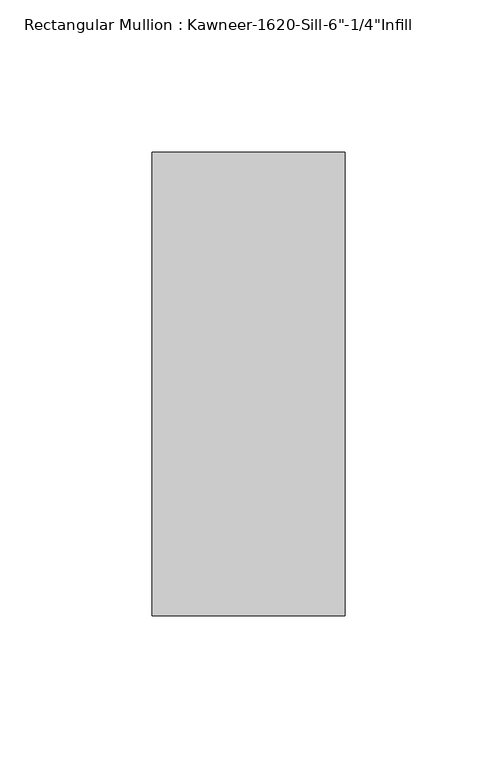
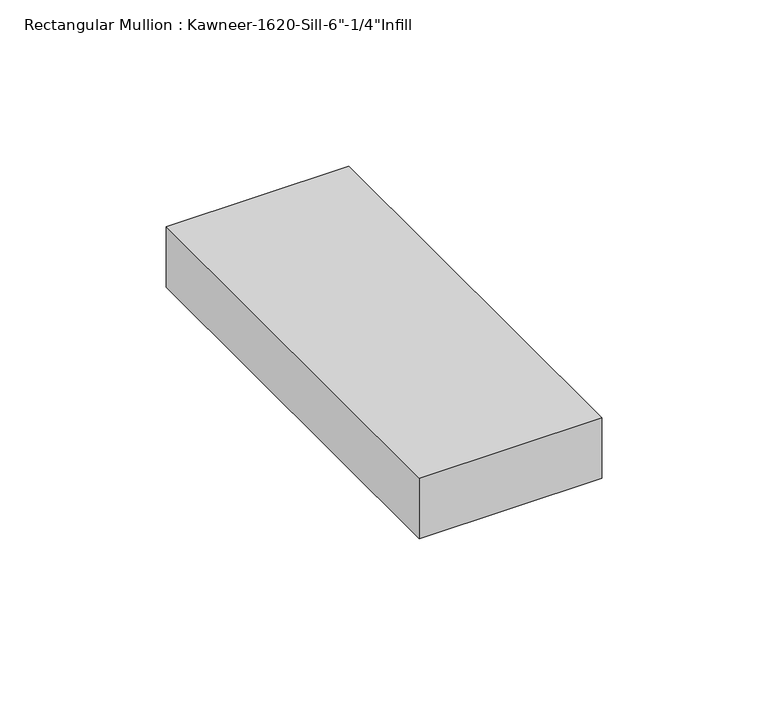
"""IFC4 building model written with IfcOpenShell, lengths in millimetres: member geometry."""

import ifcopenshell
import ifcopenshell.guid

model = None  # the IFC model being written
_history = None  # IfcOwnerHistory: only IFC2X3 demands one
_inside = {}  # id of a spatial element -> (the spatial element, [elements in it])
_under = {}  # id of a project, library or spatial element -> (it, [spatial elements below it])
_declared = {}  # id of a project -> (the project, [libraries it declares])
_typed = {}  # id of a type object -> (the type object, [elements of that type])
_made_of = {}  # id of a material, layer set ... -> (it, [elements and type objects made of it])


def new_model(schema):
    """Start an empty IFC model of exactly this schema.

    Asked for "IFC4X3", IfcOpenShell would pick the latest addendum, in which some entities
    have other attributes; the version numbers below select the first issue.
    IFC2X3 requires an IfcOwnerHistory on every rooted entity: one is made here for all.
    """
    global model, _history
    if schema == "IFC4X3":
        model = ifcopenshell.file(schema_version=(4, 3, 0, 0))
    else:
        model = ifcopenshell.file(schema=schema)
    _inside.clear()
    _under.clear()
    _declared.clear()
    _typed.clear()
    _made_of.clear()
    _history = None
    if model.schema == "IFC2X3":
        org = make("IfcOrganization", Name="unknown")
        user = make(
            "IfcPersonAndOrganization",
            ThePerson=make("IfcPerson", FamilyName="unknown"),
            TheOrganization=org,
        )
        app = make(
            "IfcApplication",
            ApplicationDeveloper=org,
            Version="unknown",
            ApplicationFullName="unknown",
            ApplicationIdentifier="unknown",
        )
        _history = make(
            "IfcOwnerHistory",
            OwningUser=user,
            OwningApplication=app,
            ChangeAction="ADDED",
            CreationDate=0,
        )
    return model


def make(cls, **values):
    """One entity of the class cls with the attributes given. An attribute that is None is left unset."""
    return model.create_entity(
        cls, **{name: value for name, value in values.items() if value is not None}
    )


def rooted(cls, **values):
    """An entity with a GlobalId (a new one), such as an element, a storey or a relation."""
    return make(cls, GlobalId=ifcopenshell.guid.new(), OwnerHistory=_history, **values)


def si_unit(unit_type, name, prefix=None):
    """IfcSIUnit, for example si_unit("LENGTHUNIT", "METRE", prefix="MILLI")."""
    return make("IfcSIUnit", UnitType=unit_type, Prefix=prefix, Name=name)


def assignment(units):
    """IfcUnitAssignment: the units of a project."""
    return None if units is None else make("IfcUnitAssignment", Units=units)


def point(xyz):
    """IfcCartesianPoint."""
    return None if xyz is None else make("IfcCartesianPoint", Coordinates=xyz)


def direction(xyz):
    """IfcDirection."""
    return None if xyz is None else make("IfcDirection", DirectionRatios=xyz)


def frame(location, z_axis=None, x_axis=None):
    """IfcAxis2Placement3D, a coordinate frame: its origin and axes. An axis left out is left unset."""
    return make(
        "IfcAxis2Placement3D",
        Location=point(location),
        Axis=direction(z_axis),
        RefDirection=direction(x_axis),
    )


def origin():
    """The frame at (0, 0, 0) with its axes left unset."""
    return frame((0.0, 0.0, 0.0))


def place(relative_to, where):
    """IfcLocalPlacement: puts the frame where relative to a parent placement (None: the world)."""
    return make(
        "IfcLocalPlacement", PlacementRelTo=relative_to, RelativePlacement=where
    )


def context(
    kind, dimensions, precision=None, world=None, true_north=None, identifier=None
):
    """IfcGeometricRepresentationContext, for example the 3D "Model" context."""
    return make(
        "IfcGeometricRepresentationContext",
        ContextIdentifier=identifier,
        ContextType=kind,
        CoordinateSpaceDimension=dimensions,
        Precision=precision,
        WorldCoordinateSystem=world,
        TrueNorth=true_north,
    )


def project(units=None, contexts=None):
    """IfcProject with its units and contexts."""
    return rooted(
        "IfcProject",
        Name="project",
        RepresentationContexts=contexts,
        UnitsInContext=assignment(units),
    )


def spatial(cls, under=None, at=None, **own):
    """A site, building, storey or space (cls), placed at a placement, below another one or the project."""
    s = rooted(cls, ObjectPlacement=at, **own)
    if under is not None:
        _under.setdefault(under.id(), (under, []))[1].append(s)
    return s


def polyline(points):
    """IfcPolyline through the points."""
    return make("IfcPolyline", Points=[point(p) for p in points])


def outline(outer, holes=None, kind="AREA"):
    """IfcArbitraryClosedProfileDef: a profile drawn as a closed curve; with holes, ...WithVoids."""
    if holes is None:
        return make("IfcArbitraryClosedProfileDef", ProfileType=kind, OuterCurve=outer)
    return make(
        "IfcArbitraryProfileDefWithVoids",
        ProfileType=kind,
        OuterCurve=outer,
        InnerCurves=holes,
    )


def extrude(swept, where, along, depth):
    """IfcExtrudedAreaSolid: the profile swept, set in the frame where, extruded along a direction by depth."""
    return make(
        "IfcExtrudedAreaSolid",
        SweptArea=swept,
        Position=where,
        ExtrudedDirection=direction(along),
        Depth=depth,
    )


def shape(context_of_items, identifier, shape_type, items):
    """IfcShapeRepresentation: the items that make up one representation, for example the "Body"."""
    return make(
        "IfcShapeRepresentation",
        ContextOfItems=context_of_items,
        RepresentationIdentifier=identifier,
        RepresentationType=shape_type,
        Items=items,
    )


def source(mapping_origin, context_of_items, identifier, shape_type, items):
    """IfcRepresentationMap: a shape defined once, which mapped items show again and again."""
    return make(
        "IfcRepresentationMap",
        MappingOrigin=mapping_origin,
        MappedRepresentation=shape(context_of_items, identifier, shape_type, items),
    )


def transform(
    local_origin,
    x_axis=None,
    y_axis=None,
    z_axis=None,
    scale=None,
    scale2=None,
    scale3=None,
    uniform=True,
):
    """IfcCartesianTransformationOperator3D, or its non-uniform kind. x_axis, y_axis, z_axis: its Axis1, 2, 3."""
    if uniform:
        return make(
            "IfcCartesianTransformationOperator3D",
            Axis1=direction(x_axis),
            Axis2=direction(y_axis),
            LocalOrigin=point(local_origin),
            Scale=scale,
            Axis3=direction(z_axis),
        )
    return make(
        "IfcCartesianTransformationOperator3DnonUniform",
        Axis1=direction(x_axis),
        Axis2=direction(y_axis),
        LocalOrigin=point(local_origin),
        Scale=scale,
        Axis3=direction(z_axis),
        Scale2=scale2,
        Scale3=scale3,
    )


def mapped(mapping_source, mapping_target):
    """IfcMappedItem: shows the shape of a source again, moved by a transform."""
    return make(
        "IfcMappedItem", MappingSource=mapping_source, MappingTarget=mapping_target
    )


def made_of(thing, what):
    """Note that an element or type object is made of a material, layer set ...; save() writes the relation."""
    if what is not None:
        _made_of.setdefault(what.id(), (what, []))[1].append(thing)
    return thing


def element(
    cls,
    number,
    at=None,
    inside=None,
    cuts=None,
    type_object=None,
    material=None,
    context=None,
    identifier="Body",
    shape_type=None,
    held_by="IfcProductDefinitionShape",
    body=None,
    shapes=None,
    **own,
):
    """One element of the class cls, such as IfcWall. Its Tag is "e" and its number.

    at: its placement. inside: the storey or other place that contains it. cuts: it is an
    opening in that element (IfcRelVoidsElement). A single representation is given by context,
    identifier, shape_type and body (its items); several are given by shapes. held_by: the class
    of the entity that holds the representations. save() writes the other relations.
    """
    e = rooted(cls, Tag="e%d" % number, ObjectPlacement=at, **own)
    if body is not None:
        shapes = [shape(context, identifier, shape_type, body)]
    if shapes is not None:
        e.Representation = make(held_by, Representations=shapes)
    if inside is not None:
        _inside.setdefault(inside.id(), (inside, []))[1].append(e)
    if cuts is not None:
        rooted(
            "IfcRelVoidsElement", RelatingBuildingElement=cuts, RelatedOpeningElement=e
        )
    if type_object is not None:
        _typed.setdefault(type_object.id(), (type_object, []))[1].append(e)
    return made_of(e, material)


def aggregate(whole, parts):
    """IfcRelAggregates: a whole, such as a stair, and the parts it consists of."""
    return rooted("IfcRelAggregates", RelatingObject=whole, RelatedObjects=parts)


def save(model, path):
    """Write the relations noted so far, then the file.

    IfcRelAggregates (storeys below a building ...), IfcRelContainedInSpatialStructure (elements
    in a storey), IfcRelDefinesByType, IfcRelAssociatesMaterial and IfcRelDeclares: one each for
    every whole, place, type object, material and project.
    """
    for whole, parts in _under.values():
        aggregate(whole, parts)
    for where, things in _inside.values():
        rooted(
            "IfcRelContainedInSpatialStructure",
            RelatedElements=things,
            RelatingStructure=where,
        )
    for kind, things in _typed.values():
        rooted("IfcRelDefinesByType", RelatedObjects=things, RelatingType=kind)
    for what, things in _made_of.values():
        rooted("IfcRelAssociatesMaterial", RelatedObjects=things, RelatingMaterial=what)
    for by, libraries in _declared.values():
        rooted("IfcRelDeclares", RelatingContext=by, RelatedDefinitions=libraries)
    model.write(path)


def member_c0731cf0(model_context):
    return source(origin(), model_context, "Body", "SweptSolid", [
        extrude(outline(polyline([(-63.5, 28.575), (0.0, 28.575), (0.0, -123.825), (-63.5, -123.825), (-63.5, 28.575)])), frame((0.0, 0.0, -22.225), z_axis=(0.0, 0.0, 1.0), x_axis=(1.0, 0.0, 0.0)), (0.0, 0.0, 1.0), 22.225),
    ])


if __name__ == "__main__":
    model = new_model("IFC4")
    model_context = context("Model", 3, world=origin())
    ifc_project = project(units=[si_unit("LENGTHUNIT", "METRE", prefix="MILLI")], contexts=[model_context])
    site = spatial("IfcSite", under=ifc_project)
    building = spatial("IfcBuilding", under=site)
    placement = place(None, origin())
    member_shape = member_c0731cf0(model_context)
    element("IfcMember", 1, ObjectType="Rectangular Mullion : Kawneer-1620-Sill-6\"-1/4\"Infill", at=placement, inside=building, context=model_context, shape_type="MappedRepresentation", body=[
        mapped(member_shape, transform((0.0, 0.0, 0.0), x_axis=(1.0, 0.0, 0.0), y_axis=(0.0, 1.0, 0.0), z_axis=(0.0, 0.0, 1.0))),
    ])
    save(model, "model.ifc")
